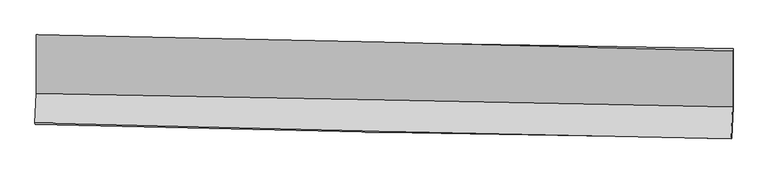
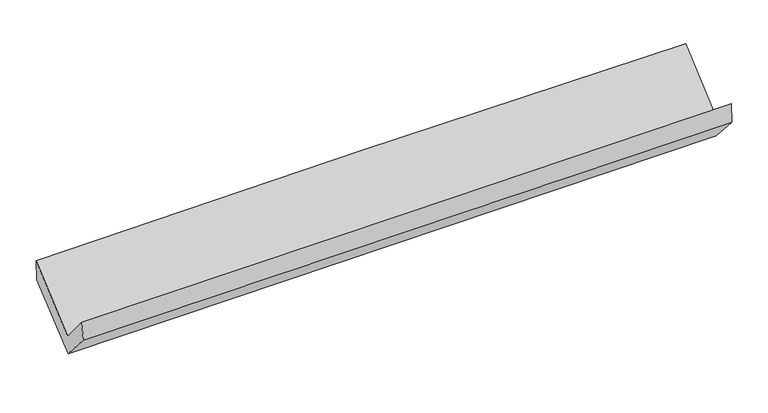
"""IFC4 building model written with IfcOpenShell, lengths in millimetres: proxy geometry."""

from ifc_helpers import new_model, si_unit, frame, origin, place, context, project, spatial, source, transform, mapped, element, save
from ifc_brep_helpers import plane_surface, spline_curve, spline_surface, advanced_brep


def generic_models_70626af6(model_context):
    return source(origin(), model_context, "Body", "AdvancedBrep", [
        advanced_brep(
        [(-3024.1933403, -1159.1639121, 2180.3491139), (-3023.9648429, -1671.2005842, 1740.0025418), (3013.2730204, -1786.0821373, 1882.127492), (3012.7748631, -1300.0492811, 2312.5996256), (-3035.4813556, -1925.2045862, 2037.9466915), (3001.3396573, -2062.6540296, 2179.6194916), (-3031.8602352, -1939.8297742, 1864.8752285), (3005.5379784, -2060.1564859, 1995.3054663), (-3020.0067265, -1672.555239, 1563.1174824), (3017.6373673, -1784.6304595, 1689.5629366), (-3020.0932313, -1166.0123166, 1992.5436258), (3017.4483078, -1279.4750747, 2122.3769084)],
        [
            (0, 1),
            (1, 2, spline_curve(3, [(-3023.9648429, -1671.2005842, 1740.0025418), (-2017.779860319, -1687.548040399, 1767.025805759), (-1011.584626912, -1705.295222097, 1792.381174972), (1000.827994043, -1743.589068557, 1839.75616394), (2007.045381993, -1764.135737816, 1861.775777755), (3013.2730204, -1786.0821373, 1882.127492)], [4, 2, 4], [0.0, 9.908221168886048, 19.816458614375605])),
            (2, 3),
            (3, 0, spline_curve(3, [(3012.7748631, -1300.0492811, 2312.5996256), (2006.492353865, -1272.751336224, 2299.180494711), (1000.270002608, -1247.361908406, 2281.450040568), (-1012.052731551, -1200.400124967, 2237.366522441), (-2018.153114849, -1178.827763208, 2211.013472772), (-3024.1933403, -1159.1639121, 2180.3491139)], [4, 2, 4], [0.0, 9.908237445489558, 19.816458614375605])),
            (1, 4),
            (4, 5, spline_curve(3, [(-3035.4813556, -1925.2045862, 2037.9466915), (-2029.411241407, -1950.667677737, 2062.411561244), (-1023.308179657, -1974.853335251, 2086.450053531), (988.965491274, -2020.669820581, 2133.674321457), (1995.136100454, -2042.300643967, 2156.86009614), (3001.3396573, -2062.6540296, 2179.6194916)], [4, 2, 4], [0.0, 9.908157757544119, 19.81633179158758])),
            (5, 2),
            (4, 6),
            (6, 7, spline_curve(3, [(-3031.8602352, -1939.8297742, 1864.8752285), (-2025.788586578, -1965.701537303, 1888.928616804), (-1019.636658031, -1988.664639171, 1911.824489323), (992.829413206, -2028.773552773, 1955.301239187), (1999.143555522, -2045.919354865, 1975.882112507), (3005.5379784, -2060.1564859, 1995.3054663)], [4, 2, 4], [0.0, 9.908186351424291, 19.816388979394898])),
            (7, 5),
            (6, 8),
            (8, 9, spline_curve(3, [(-3020.0067265, -1672.555239, 1563.1174824), (-2013.810610719, -1694.266484752, 1585.139892867), (-1007.575958512, -1714.461702603, 1606.688210788), (1004.972072755, -1751.820114482, 1648.836697032), (2011.285451687, -1768.983303309, 1669.436863702), (3017.6373673, -1784.6304595, 1689.5629366)], [4, 2, 4], [0.0, 9.90816861879824, 19.81635351411366])),
            (9, 7),
            (8, 10),
            (10, 11, spline_curve(3, [(-3020.0932313, -1166.0123166, 1992.5436258), (-2013.948441602, -1188.287261165, 2016.371392508), (-1007.74799856, -1208.879957271, 2039.104708294), (1004.765847574, -1246.700881994, 2082.382472453), (2011.079250851, -1263.929105685, 2102.926917847), (3017.4483078, -1279.4750747, 2122.3769084)], [4, 2, 4], [0.0, 9.908152303588293, 19.81632088366697])),
            (11, 9),
            (10, 0),
            (3, 11),
        ],
        [
            spline_surface(3, 3, [[(-3024.1933403, -1159.1639121, 2180.3491139), (-2018.153114704, -1178.827763186, 2211.013472629), (-1012.052731613, -1200.400124998, 2237.366522479), (1000.27000267, -1247.361908375, 2281.450040529), (2006.492354018, -1272.751336269, 2299.180494609), (3012.7748631, -1300.0492811, 2312.5996256)], [(-3024.117174477, -1329.842802808, 2033.566923205), (-2018.028696546, -1348.401188887, 2063.01758363), (-1011.89669673, -1368.698490711, 2089.038073337), (1000.455999812, -1412.770961771, 2134.218748324), (2006.676696638, -1436.546136781, 2153.378922378), (3012.940915535, -1462.060233189, 2169.108914401)], [(-3024.041008723, -1500.521693492, 1886.784732495), (-2017.904278458, -1517.974614565, 1915.021694615), (-1011.740661847, -1536.9968564, 1940.709624168), (1000.641996953, -1578.180015145, 1986.987456092), (2006.861039253, -1600.340937228, 2007.577350145), (3013.106967965, -1624.071185211, 2025.618203199)], [(-3023.9648429, -1671.2005842, 1740.0025418), (-2017.779860301, -1687.548040267, 1767.025805616), (-1011.584626964, -1705.295222112, 1792.381175026), (1000.827994095, -1743.589068541, 1839.756163887), (2007.045381873, -1764.13573774, 1861.775777915), (3013.2730204, -1786.0821373, 1882.127492)]], [4, 4], [4, 2, 4], [0.0, 2.193779929687555], [0.0, 9.908221168886048, 19.816458614375605]),
            spline_surface(3, 3, [[(-3023.9648429, -1671.2005842, 1740.0025418), (-2017.779860301, -1687.548040267, 1767.025805616), (-1011.584626964, -1705.295222112, 1792.381175026), (1000.827994095, -1743.589068541, 1839.756163887), (2007.045381873, -1764.13573774, 1861.775777915), (3013.2730204, -1786.0821373, 1882.127492)], [(-3027.803680463, -1755.868584866, 1839.317258359), (-2021.656987306, -1775.254586045, 1865.487724152), (-1015.492477866, -1795.147926507, 1890.404134496), (996.873826452, -1835.949319235, 1937.7288831), (2003.075621411, -1856.857373186, 1960.137217295), (3009.295232689, -1878.272768069, 1981.291491865)], [(-3031.642518037, -1840.536585534, 1938.631974941), (-2025.534114322, -1862.961131825, 1963.949642712), (-1019.400328707, -1885.000630858, 1988.427093979), (992.91965887, -1928.309569886, 2035.701602325), (1999.105860981, -1949.579008625, 2058.49865668), (3005.317445011, -1970.463398831, 2080.455491735)], [(-3035.4813556, -1925.2045862, 2037.9466915), (-2029.411241328, -1950.667677603, 2062.411561248), (-1023.30817961, -1974.853335253, 2086.45005345), (988.965491227, -2020.66982058, 2133.674321539), (1995.136100519, -2042.30064407, 2156.860096061), (3001.3396573, -2062.6540296, 2179.6194916)]], [4, 4], [4, 2, 4], [0.0, 1.3175535212113876], [0.0, 9.908157757544119, 19.81633179158758]),
            spline_surface(3, 3, [[(-3035.4813556, -1925.2045862, 2037.9466915), (-2029.411241328, -1950.667677603, 2062.411561248), (-1023.30817961, -1974.853335253, 2086.45005345), (988.965491227, -2020.66982058, 2133.674321539), (1995.136100519, -2042.30064407, 2156.860096061), (3001.3396573, -2062.6540296, 2179.6194916)], [(-3034.274315484, -1930.07964884, 1980.256203851), (-2028.203689781, -1955.678964196, 2004.583913102), (-1022.084339018, -1979.457103225, 2028.241532116), (990.253465189, -2023.371064603, 2074.216627417), (1996.471918858, -2043.506880979, 2096.534101541), (3002.739097681, -2061.821515035, 2118.181483187)], [(-3033.067275316, -1934.95471156, 1922.565716149), (-2026.99613818, -1960.690250868, 1946.756264904), (-1020.860498478, -1984.060871259, 1970.033010726), (991.541439099, -2026.072308689, 2014.75893324), (1997.807737153, -2044.713117884, 2036.208106958), (3004.138538019, -2060.989000465, 2056.743474713)], [(-3031.8602352, -1939.8297742, 1864.8752285), (-2025.788586633, -1965.701537461, 1888.928616758), (-1019.636657886, -1988.664639231, 1911.824489392), (992.829413061, -2028.773552713, 1955.301239119), (1999.143555492, -2045.919354792, 1975.882112437), (3005.5379784, -2060.1564859, 1995.3054663)]], [4, 4], [4, 2, 4], [0.0, 0.5803125548761119], [0.0, 9.908186351424291, 19.816388979394898]),
            spline_surface(3, 3, [[(-3031.8602352, -1939.8297742, 1864.8752285), (-2025.788586633, -1965.701537461, 1888.928616758), (-1019.636657886, -1988.664639231, 1911.824489392), (992.829413061, -2028.773552713, 1955.301239119), (1999.143555492, -2045.919354792, 1975.882112437), (3005.5379784, -2060.1564859, 1995.3054663)], [(-3027.909065638, -1850.738262475, 1764.289313107), (-2021.795928039, -1875.223186512, 1787.665708724), (-1015.616424764, -1897.263660387, 1810.112396507), (996.876966253, -1936.455739979, 1853.146391755), (2003.190854181, -1953.607337591, 1873.733696192), (3009.571108035, -1968.314477084, 1893.391289715)], [(-3023.957896062, -1761.646750725, 1663.703397793), (-2017.803269432, -1784.744835539, 1686.402800767), (-1011.596191579, -1805.86268148, 1708.400303649), (1000.924519508, -1844.137927184, 1750.991544418), (2007.238152865, -1861.295320437, 1771.585280003), (3013.604237665, -1876.472468316, 1791.477113185)], [(-3020.0067265, -1672.555239, 1563.1174824), (-2013.810610837, -1694.266484589, 1585.139892733), (-1007.575958457, -1714.461702635, 1606.688210765), (1004.972072699, -1751.82011445, 1648.836697055), (2011.285451553, -1768.983303236, 1669.436863758), (3017.6373673, -1784.6304595, 1689.5629366)]], [4, 4], [4, 2, 4], [0.0, 1.3511472264402413], [0.0, 9.90816861879824, 19.81635351411366]),
            spline_surface(3, 3, [[(-3020.0067265, -1672.555239, 1563.1174824), (-2013.810610837, -1694.266484589, 1585.139892733), (-1007.575958457, -1714.461702635, 1606.688210765), (1004.972072699, -1751.82011445, 1648.836697055), (2011.285451553, -1768.983303236, 1669.436863758), (3017.6373673, -1784.6304595, 1689.5629366)], [(-3020.035561412, -1503.707598208, 1706.259530223), (-2013.856554443, -1525.606743511, 1728.883726027), (-1007.633305158, -1545.934454136, 1750.827043231), (1004.903330999, -1583.447036972, 1793.351955576), (2011.216717966, -1600.631904016, 1813.933548484), (3017.574347444, -1616.245331223, 1833.834260552)], [(-3020.064396388, -1334.859957392, 1849.401577977), (-2013.902498112, -1356.947002408, 1872.627559251), (-1007.690651871, -1377.407205693, 1894.965875679), (1004.834589286, -1415.073959549, 1937.86721408), (2011.147984446, -1432.280504828, 1958.430233155), (3017.511327656, -1447.860202977, 1978.105584448)], [(-3020.0932313, -1166.0123166, 1992.5436258), (-2013.948441719, -1188.28726133, 2016.371392545), (-1007.747998571, -1208.879957194, 2039.104708145), (1004.765847586, -1246.700882071, 2082.382472602), (2011.079250859, -1263.929105608, 2102.926917881), (3017.4483078, -1279.4750747, 2122.3769084)]], [4, 4], [4, 2, 4], [0.0, 2.1833042139760215], [0.0, 9.908152303588293, 19.81632088366697]),
            spline_surface(3, 3, [[(-3020.0932313, -1166.0123166, 1992.5436258), (-2013.948441719, -1188.28726133, 2016.371392545), (-1007.747998571, -1208.879957194, 2039.104708145), (1004.765847586, -1246.700882071, 2082.382472602), (2011.079250859, -1263.929105608, 2102.926917881), (3017.4483078, -1279.4750747, 2122.3769084)], [(-3021.459934325, -1163.729515103, 2055.145455155), (-2015.349999406, -1185.134095285, 2081.252085895), (-1009.182909565, -1206.053346459, 2105.19197957), (1003.267232633, -1246.921224168, 2148.738328557), (2009.550285261, -1266.869849162, 2168.34477677), (3015.890492916, -1286.333143501, 2185.78448078)], [(-3022.826637275, -1161.446713597, 2117.747284545), (-2016.751557017, -1181.98092923, 2146.132779279), (-1010.617820618, -1203.226735734, 2171.279251055), (1001.768617622, -1247.141566277, 2215.094184574), (2008.021319616, -1269.810592714, 2233.76263572), (3014.332677984, -1293.191212299, 2249.19205322)], [(-3024.1933403, -1159.1639121, 2180.3491139), (-2018.153114704, -1178.827763186, 2211.013472629), (-1012.052731613, -1200.400124998, 2237.366522479), (1000.27000267, -1247.361908375, 2281.450040529), (2006.492354018, -1272.751336269, 2299.180494609), (3012.7748631, -1300.0492811, 2312.5996256)]], [4, 4], [4, 2, 4], [0.0, 0.6520730628960727], [0.0, 9.908196592032963, 19.816409460629064]),
            plane_surface(frame((3011.3351991, -1712.174578, 2030.2653201), z_axis=(0.9995676430430886, -0.018913996272897138, 0.02251194630132135), x_axis=(-0.0002842085570973086, 0.7593875541247272, 0.6506385032150808))),
            plane_surface(frame((-3025.9332886, -1588.9944021, 1896.4724473), z_axis=(-0.999567643043086, 0.018913996273028602, -0.02251194630132649), x_axis=(0.021811987576810153, -0.0364325218858495, -0.9990980475143499))),
        ],
        [
            (0, [[1, 2, 3, 4]]),
            (1, [[5, 6, 7, -2]]),
            (2, [[8, 9, 10, -6]]),
            (3, [[11, 12, 13, -9]]),
            (4, [[14, 15, 16, -12]]),
            (5, [[17, -4, 18, -15]]),
            (6, [[-16, -18, -3, -7, -10, -13]]),
            (7, [[-17, -14, -11, -8, -5, -1]]),
        ],
    ),
    ])


if __name__ == "__main__":
    model = new_model("IFC4")
    model_context = context("Model", 3, world=origin())
    ifc_project = project(units=[si_unit("LENGTHUNIT", "METRE", prefix="MILLI")], contexts=[model_context])
    site = spatial("IfcSite", under=ifc_project)
    building = spatial("IfcBuilding", under=site)
    placement = place(None, origin())
    generic_models_shape = generic_models_70626af6(model_context)
    element("IfcBuildingElementProxy", 1, Name="Generic Models", at=placement, inside=building, context=model_context, shape_type="MappedRepresentation", body=[
        mapped(generic_models_shape, transform((0.0, 0.0, 0.0), x_axis=(1.0, 0.0, 0.0), y_axis=(0.0, 1.0, 0.0), z_axis=(0.0, 0.0, 1.0))),
    ])
    save(model, "model.ifc")
